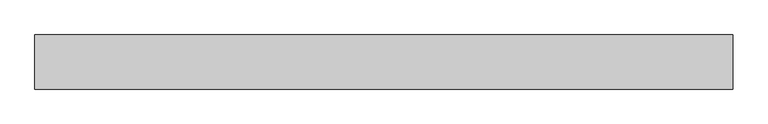
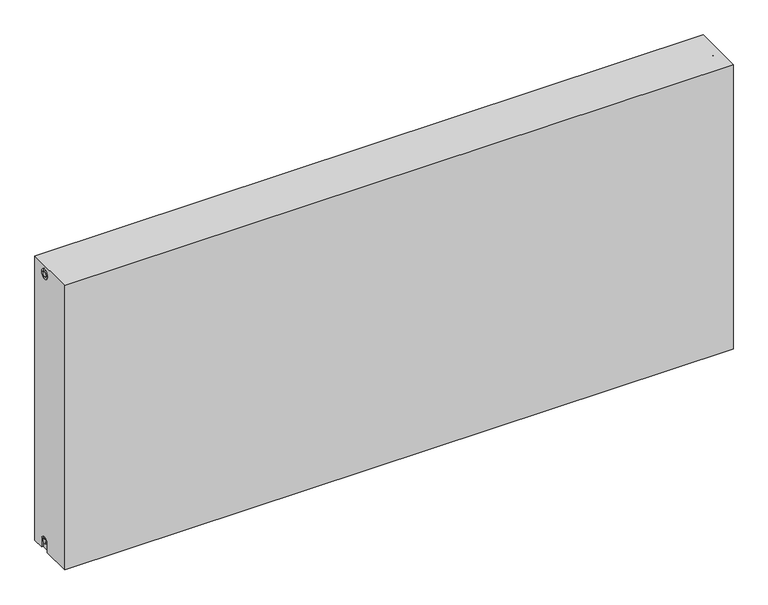
"""IFC4 building model written with IfcOpenShell, lengths in millimetres: proxy geometry."""

from ifc_helpers import new_model, si_unit, frame, origin, place, context, project, spatial, polyline, circle_curve, source, transform, mapped, element, save
from ifc_brep_helpers import plane_surface, cylinder_surface, revolved_surface, advanced_brep


def mechanical_equipment_56adef7d(model_context):
    return source(origin(), model_context, "Body", "AdvancedBrep", [
        advanced_brep(
        [(2000.0, 77.5, 900.0), (2000.0, 77.5, 0.0), (0.0, 77.5, 0.0), (0.0, 77.5, 900.0), (2000.0, -77.5, 900.0), (0.0, -77.5, 900.0), (0.0, -77.5, 0.0), (2000.0, -77.5, 0.0), (2000.0, 12.2242393, 0.0), (2000.0, 12.2242393, 27.0), (2000.0, 42.2242393, 27.0), (2000.0, 42.2242393, 0.0), (2000.0, 42.2242393, 873.0), (2000.0, 12.2242393, 873.0), (2000.0, 19.7242393, 27.0), (2000.0, 34.7242393, 27.0), (2000.0, 34.7242393, 873.0), (2000.0, 19.7242393, 873.0), (1995.0, 42.2242393, 0.0), (1995.0, 12.2242393, 0.0), (0.0, 12.5, 0.0), (5.0, 12.5, 0.0), (5.0, 42.5, 0.0), (0.0, 42.5, 0.0), (0.0, 42.5, 27.0), (0.0, 12.5, 27.0), (0.0, 12.2242393, 873.0), (0.0, 42.2242393, 873.0), (0.0, 19.7242393, 873.0), (0.0, 34.7242393, 873.0), (0.0, 35.0682726, 27.0), (0.0, 20.0682726, 27.0), (5.0, 12.2242393, 873.0), (5.0, 42.2242393, 873.0), (5.0, 19.7242393, 873.0), (5.0, 34.7242393, 873.0), (5.0, 12.5, 27.0), (5.0, 42.5, 27.0), (5.0, 20.0682726, 27.0), (5.0, 35.0682726, 27.0), (1995.0, 42.2242393, 27.0), (1995.0, 12.2242393, 27.0), (1995.0, 19.7242393, 27.0), (1995.0, 34.7242393, 27.0), (1995.0, 12.2242393, 873.0), (1995.0, 42.2242393, 873.0), (1995.0, 19.7242393, 873.0), (1995.0, 34.7242393, 873.0)],
        [
            (0, 1),
            (1, 2),
            (2, 3),
            (3, 0),
            (4, 5),
            (5, 6),
            (6, 7),
            (7, 4),
            (0, 4),
            (7, 8),
            (8, 9),
            (9, 10, circle_curve(frame((2000.0, 27.2242393, 27.0), z_axis=(-1.0, 0.0, 0.0), x_axis=(0.0, 1.0, 0.0)), 15.0)),
            (10, 11),
            (11, 1),
            (12, 13, circle_curve(frame((2000.0, 27.2242393, 873.0), z_axis=(-1.0, 0.0, 0.0), x_axis=(0.0, 1.0, 0.0)), 15.0)),
            (13, 12, circle_curve(frame((2000.0, 27.2242393, 873.0), z_axis=(-1.0, 0.0, 0.0), x_axis=(0.0, 1.0, 0.0)), 15.0)),
            (14, 15, circle_curve(frame((2000.0, 27.2242393, 27.0), z_axis=(1.0, 0.0, 0.0), x_axis=(0.0, 1.0, 0.0)), 7.5)),
            (15, 14, circle_curve(frame((2000.0, 27.2242393, 27.0), z_axis=(1.0, 0.0, 0.0), x_axis=(0.0, 1.0, 0.0)), 7.5)),
            (16, 17, circle_curve(frame((2000.0, 27.2242393, 873.0), z_axis=(1.0, 0.0, 0.0), x_axis=(0.0, 1.0, 0.0)), 7.5)),
            (17, 16, circle_curve(frame((2000.0, 27.2242393, 873.0), z_axis=(1.0, 0.0, 0.0), x_axis=(0.0, 1.0, 0.0)), 7.5)),
            (11, 18),
            (18, 19),
            (19, 8),
            (6, 20),
            (20, 21),
            (21, 22),
            (22, 23),
            (23, 2),
            (23, 24),
            (24, 25, circle_curve(frame((0.0, 27.5, 27.0), z_axis=(1.0, 0.0, 0.0), x_axis=(0.0, 1.0, 0.0)), 15.0)),
            (25, 20),
            (5, 3),
            (26, 27, circle_curve(frame((0.0, 27.2242393, 873.0), z_axis=(1.0, 0.0, 0.0), x_axis=(0.0, 1.0, 0.0)), 15.0)),
            (27, 26, circle_curve(frame((0.0, 27.2242393, 873.0), z_axis=(1.0, 0.0, 0.0), x_axis=(0.0, 1.0, 0.0)), 15.0)),
            (28, 29, circle_curve(frame((0.0, 27.2242393, 873.0), z_axis=(-1.0, 0.0, 0.0), x_axis=(0.0, 1.0, 0.0)), 7.5)),
            (29, 28, circle_curve(frame((0.0, 27.2242393, 873.0), z_axis=(-1.0, 0.0, 0.0), x_axis=(0.0, 1.0, 0.0)), 7.5)),
            (30, 31, circle_curve(frame((0.0, 27.5682726, 27.0), z_axis=(-1.0, 0.0, 0.0), x_axis=(0.0, 1.0, 0.0)), 7.5)),
            (31, 30, circle_curve(frame((0.0, 27.5682726, 27.0), z_axis=(-1.0, 0.0, 0.0), x_axis=(0.0, 1.0, 0.0)), 7.5)),
            (32, 33, circle_curve(frame((5.0, 27.2242393, 873.0), z_axis=(-1.0, 0.0, 0.0), x_axis=(0.0, 1.0, 0.0)), 15.0)),
            (33, 32, circle_curve(frame((5.0, 27.2242393, 873.0), z_axis=(-1.0, 0.0, 0.0), x_axis=(0.0, 1.0, 0.0)), 15.0)),
            (34, 35, circle_curve(frame((5.0, 27.2242393, 873.0), z_axis=(1.0, 0.0, 0.0), x_axis=(0.0, 1.0, 0.0)), 7.5)),
            (35, 34, circle_curve(frame((5.0, 27.2242393, 873.0), z_axis=(1.0, 0.0, 0.0), x_axis=(0.0, 1.0, 0.0)), 7.5)),
            (33, 27),
            (26, 32),
            (35, 29),
            (28, 34),
            (21, 36),
            (36, 37, circle_curve(frame((5.0, 27.5, 27.0), z_axis=(-1.0, 0.0, 0.0), x_axis=(0.0, 1.0, 0.0)), 15.0)),
            (37, 22),
            (38, 39, circle_curve(frame((5.0, 27.5682726, 27.0), z_axis=(1.0, 0.0, 0.0), x_axis=(0.0, 1.0, 0.0)), 7.5)),
            (39, 38, circle_curve(frame((5.0, 27.5682726, 27.0), z_axis=(1.0, 0.0, 0.0), x_axis=(0.0, 1.0, 0.0)), 7.5)),
            (38, 31),
            (30, 39),
            (37, 24),
            (36, 25),
            (18, 40),
            (40, 41, circle_curve(frame((1995.0, 27.2242393, 27.0), z_axis=(1.0, 0.0, 0.0), x_axis=(0.0, 1.0, 0.0)), 15.0)),
            (41, 19),
            (42, 43, circle_curve(frame((1995.0, 27.2242393, 27.0), z_axis=(-1.0, 0.0, 0.0), x_axis=(0.0, 1.0, 0.0)), 7.5)),
            (43, 42, circle_curve(frame((1995.0, 27.2242393, 27.0), z_axis=(-1.0, 0.0, 0.0), x_axis=(0.0, 1.0, 0.0)), 7.5)),
            (43, 15),
            (14, 42),
            (10, 40),
            (9, 41),
            (44, 45, circle_curve(frame((1995.0, 27.2242393, 873.0), z_axis=(1.0, 0.0, 0.0), x_axis=(0.0, 1.0, 0.0)), 15.0)),
            (45, 44, circle_curve(frame((1995.0, 27.2242393, 873.0), z_axis=(1.0, 0.0, 0.0), x_axis=(0.0, 1.0, 0.0)), 15.0)),
            (46, 47, circle_curve(frame((1995.0, 27.2242393, 873.0), z_axis=(-1.0, 0.0, 0.0), x_axis=(0.0, 1.0, 0.0)), 7.5)),
            (47, 46, circle_curve(frame((1995.0, 27.2242393, 873.0), z_axis=(-1.0, 0.0, 0.0), x_axis=(0.0, 1.0, 0.0)), 7.5)),
            (44, 13),
            (12, 45),
            (46, 17),
            (16, 47),
        ],
        [
            plane_surface(frame((2000.0, 77.5, 900.0), z_axis=(0.0, 1.0, 0.0), x_axis=(0.0, 0.0, -1.0))),
            plane_surface(frame((2000.0, -77.5, 900.0), z_axis=(0.0, -1.0, 0.0), x_axis=(0.0, 0.0, 1.0))),
            plane_surface(frame((2000.0, 77.5, 900.0), z_axis=(1.0, 0.0, 0.0), x_axis=(0.0, -1.0, 0.0))),
            plane_surface(frame((2000.0, 77.5, 0.0), z_axis=(0.0, 0.0, -1.0), x_axis=(0.0, -1.0, 0.0))),
            plane_surface(frame((0.0, 77.5, 0.0), z_axis=(-1.0, 0.0, 0.0), x_axis=(0.0, -1.0, 0.0))),
            plane_surface(frame((0.0, 77.5, 900.0), z_axis=(0.0, 0.0, 1.0), x_axis=(0.0, -1.0, 0.0))),
            plane_surface(frame((5.0, 42.2242393, 873.0), z_axis=(-1.0, 0.0, 0.0), x_axis=(0.0, 0.0, 1.0))),
            revolved_surface(polyline([(5.0, 42.2242393, 873.0), (0.0, 42.2242393, 873.0)]), (0.0, 27.2242393, 873.0), (1.0, 0.0, 0.0)),
            cylinder_surface(frame((0.0, 27.2242393, 873.0), z_axis=(-1.0, 0.0, 0.0), x_axis=(0.0, 1.0, 0.0)), 7.5),
            plane_surface(frame((5.0, 35.0682726, 27.0), z_axis=(-1.0, 0.0, 0.0), x_axis=(0.0, 0.0, -1.0))),
            cylinder_surface(frame((0.0, 27.5682726, 27.0), z_axis=(-1.0, 0.0, 0.0), x_axis=(0.0, 1.0, 0.0)), 7.5),
            plane_surface(frame((5.0, 42.5, 0.0), z_axis=(0.0, -1.0, 0.0), x_axis=(-1.0, 0.0, 0.0))),
            revolved_surface(polyline([(5.0, 42.5, 27.0), (0.0, 42.5, 27.0)]), (0.0, 27.5, 27.0), (1.0, 0.0, 0.0)),
            plane_surface(frame((5.0, 12.5, 27.0), z_axis=(0.0, 1.0, 0.0), x_axis=(-1.0, 0.0, 0.0))),
            plane_surface(frame((1995.0, 34.7242393, 27.0), z_axis=(1.0, 0.0, 0.0), x_axis=(0.0, 0.0, 1.0))),
            cylinder_surface(frame((1995.0, 27.2242393, 27.0), z_axis=(-1.0, 0.0, 0.0), x_axis=(0.0, 1.0, 0.0)), 7.5),
            plane_surface(frame((2000.0, 42.2242393, 0.0), z_axis=(0.0, -1.0, 0.0), x_axis=(-1.0, 0.0, 0.0))),
            revolved_surface(polyline([(2000.0, 42.2242393, 27.0), (1995.0, 42.2242393, 27.0)]), (895.0, 27.2242393, 27.0), (1.0, 0.0, 0.0)),
            plane_surface(frame((2000.0, 12.2242393, 27.0), z_axis=(0.0, 1.0, 0.0), x_axis=(-1.0, 0.0, 0.0))),
            plane_surface(frame((1995.0, 42.2242393, 873.0), z_axis=(1.0, 0.0, 0.0), x_axis=(0.0, 0.0, -1.0))),
            revolved_surface(polyline([(2000.0, 42.2242393, 873.0), (1995.0, 42.2242393, 873.0)]), (1995.0, 27.2242393, 873.0), (1.0, 0.0, 0.0)),
            cylinder_surface(frame((895.0, 27.2242393, 873.0), z_axis=(-1.0, 0.0, 0.0), x_axis=(0.0, 1.0, 0.0)), 7.5),
        ],
        [
            (0, [[1, 2, 3, 4]]),
            (1, [[5, 6, 7, 8]]),
            (2, [[-1, 9, -8, 10, 11, 12, 13, 14], [15, 16]]),
            (2, [[17, 18]]),
            (2, [[19, 20]]),
            (3, [[-2, -14, 21, 22, 23, -10, -7, 24, 25, 26, 27, 28]]),
            (4, [[-3, -28, 29, 30, 31, -24, -6, 32], [33, 34]]),
            (4, [[35, 36]]),
            (4, [[37, 38]]),
            (5, [[-4, -32, -5, -9]]),
            (6, [[39, 40], [41, 42]]),
            (7, [[-40, 43, -33, 44]]),
            (7, [[-39, -44, -34, -43]]),
            (8, [[-42, 45, -35, 46]]),
            (8, [[-41, -46, -36, -45]]),
            (9, [[47, 48, 49, -26], [50, 51]]),
            (10, [[-50, 52, -37, 53]]),
            (10, [[-51, -53, -38, -52]]),
            (11, [[-49, 54, -29, -27]]),
            (12, [[-48, 55, -30, -54]]),
            (13, [[-47, -25, -31, -55]]),
            (14, [[56, 57, 58, -22], [59, 60]]),
            (15, [[-60, 61, -17, 62]]),
            (15, [[-59, -62, -18, -61]]),
            (16, [[-56, -21, -13, 63]]),
            (17, [[-57, -63, -12, 64]]),
            (18, [[-58, -64, -11, -23]]),
            (19, [[65, 66], [67, 68]]),
            (20, [[-65, 69, -15, 70]]),
            (20, [[-66, -70, -16, -69]]),
            (21, [[-67, 71, -19, 72]]),
            (21, [[-68, -72, -20, -71]]),
        ],
    ),
    ])


if __name__ == "__main__":
    model = new_model("IFC4")
    model_context = context("Model", 3, world=origin())
    ifc_project = project(units=[si_unit("LENGTHUNIT", "METRE", prefix="MILLI")], contexts=[model_context])
    site = spatial("IfcSite", under=ifc_project)
    building = spatial("IfcBuilding", under=site)
    placement = place(None, origin())
    mechanical_equipment_shape = mechanical_equipment_56adef7d(model_context)
    element("IfcBuildingElementProxy", 1, Name="Mechanical Equipment", at=placement, inside=building, context=model_context, shape_type="MappedRepresentation", body=[
        mapped(mechanical_equipment_shape, transform((0.0, 0.0, 0.0), x_axis=(1.0, 0.0, 0.0), y_axis=(0.0, 1.0, 0.0), z_axis=(0.0, 0.0, 1.0))),
    ])
    save(model, "model.ifc")
